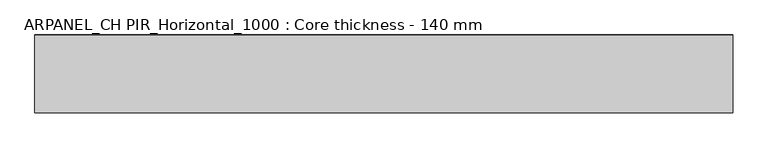
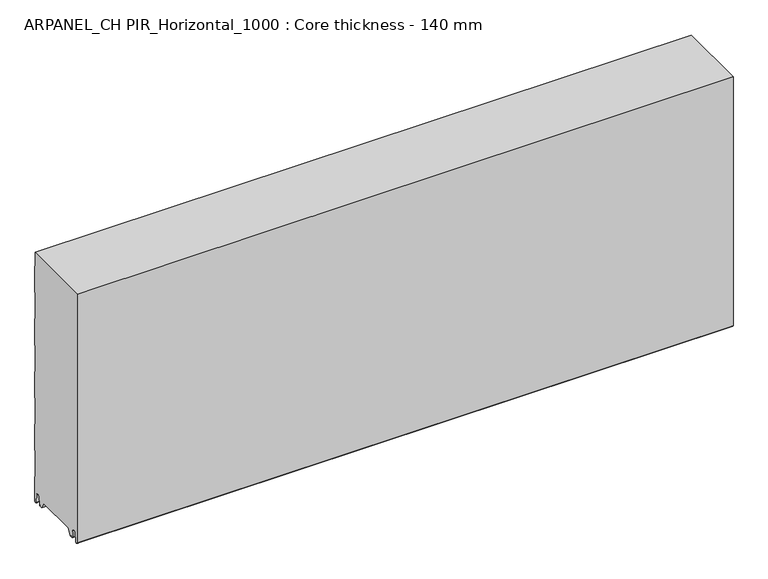
"""IFC4 building model written with IfcOpenShell, lengths in millimetres: plate geometry, ARPANEL_CH PIR_Horizontal_1000 : Core thickness - 140 mm."""

from ifc_helpers import new_model, si_unit, frame, origin, place, context, project, spatial, polyline, circle_curve, source, transform, mapped, element, save
from ifc_brep_helpers import plane_surface, cylinder_surface, revolved_surface, advanced_brep


def arpanel_ch_pir_horizontal_1000_core_thickness_140_mm_cb759b75(model_context):
    return source(origin(), model_context, "Body", "AdvancedBrep", [
        advanced_brep(
        [(620.0, -109.873448, 15.1417681), (620.0, -30.126552, 15.1417681), (620.0, -23.4071318, 3.165779), (620.0, -17.4169005, 3.165779), (620.0, -19.6169005, 5.365779), (620.0, -18.8169005, 5.365779), (620.0, -16.0235822, 5.2291629), (620.0, -14.6379549, 19.3608832), (620.0, -10.8223285, 22.7899182), (620.0, -7.0067021, 19.3608832), (620.0, -5.3893281, 2.8656275), (620.0, -0.8003051, 3.0900682), (620.0, -0.8, 49.9459237), (620.0, -1.0986697, 50.9973395), (620.0, -1.5003051, 52.4177205), (620.0, -1.5003051, 102.5775037), (620.0, -1.0971009, 103.9969151), (620.0, -0.8, 105.0493005), (620.0, -0.8, 155.2090837), (620.0, -1.0986697, 156.2604995), (620.0, -1.5003051, 157.6808805), (620.0, -1.5003051, 207.8406637), (620.0, -1.0971009, 209.2600751), (620.0, -0.8, 210.3124605), (620.0, -0.8, 260.4722437), (620.0, -1.0986697, 261.5236595), (620.0, -1.5003051, 262.9440405), (620.0, -1.5003051, 313.1038237), (620.0, -1.0971009, 314.5232351), (620.0, -0.8, 315.5756205), (620.0, -0.8, 365.7354037), (620.0, -1.0986697, 366.7868195), (620.0, -1.5003051, 368.2072005), (620.0, -1.5003051, 418.3669837), (620.0, -1.0971009, 419.7863951), (620.0, -0.8, 420.8387805), (620.0, -0.8, 470.9985637), (620.0, -1.0986697, 472.0499795), (620.0, -1.5003051, 473.4703605), (620.0, -1.5003051, 500.0), (620.0, -139.2, 500.0), (620.0, -139.2, 3.0900682), (620.0, -134.6106719, 2.8656275), (620.0, -132.9932979, 19.3608832), (620.0, -129.1776715, 22.7899182), (620.0, -125.3620451, 19.3608832), (620.0, -123.9764178, 5.2291629), (620.0, -121.1830995, 5.365779), (620.0, -120.3830995, 5.365779), (620.0, -122.5830995, 3.165779), (620.0, -116.5928682, 3.165779), (-620.0, -30.126552, 15.1417681), (-620.0, -109.873448, 15.1417681), (-620.0, -116.5928682, 3.165779), (-620.0, -122.5830995, 3.165779), (-620.0, -120.3830995, 5.365779), (-620.0, -121.1830995, 5.365779), (-620.0, -123.9764178, 5.2291629), (-620.0, -125.3620451, 19.3608832), (-620.0, -129.1776715, 22.7899182), (-620.0, -132.9932979, 19.3608832), (-620.0, -134.6106719, 2.8656275), (-620.0, -139.1996949, 3.0900682), (-620.0, -139.2, 500.0), (-620.0, -1.5003051, 500.0), (-620.0, -1.5003051, 473.4703605), (-620.0, -1.0971009, 472.0509491), (-620.0, -0.8, 470.9985637), (-620.0, -0.8, 420.8387805), (-620.0, -1.0986697, 419.7873646), (-620.0, -1.5003051, 418.3669837), (-620.0, -1.5003051, 368.2072005), (-620.0, -1.0971009, 366.7877891), (-620.0, -0.8, 365.7354037), (-620.0, -0.8, 315.5756205), (-620.0, -1.0986697, 314.5242046), (-620.0, -1.5003051, 313.1038237), (-620.0, -1.5003051, 262.9440405), (-620.0, -1.0971009, 261.5246291), (-620.0, -0.8, 260.4722437), (-620.0, -0.8, 210.3124605), (-620.0, -1.0986697, 209.2610446), (-620.0, -1.5003051, 207.8406637), (-620.0, -1.5003051, 157.6808805), (-620.0, -1.0971009, 156.2614691), (-620.0, -0.8, 155.2090837), (-620.0, -0.8, 105.0493005), (-620.0, -1.0986697, 103.9978846), (-620.0, -1.5003051, 102.5775037), (-620.0, -1.5003051, 52.4177205), (-620.0, -1.0971009, 50.9983091), (-620.0, -0.8, 49.9459237), (-620.0, -0.8, 3.0900682), (-620.0, -5.3893281, 2.8656275), (-620.0, -7.0067021, 19.3608832), (-620.0, -10.8223285, 22.7899182), (-620.0, -14.6379549, 19.3608832), (-620.0, -16.0235822, 5.2291629), (-620.0, -18.8169005, 5.365779), (-620.0, -19.6169005, 5.365779), (-620.0, -17.4169005, 3.165779), (-620.0, -23.4071318, 3.165779)],
        [
            (0, 1),
            (1, 2),
            (2, 3),
            (3, 4, circle_curve(frame((620.0, -17.4169005, 5.365779), z_axis=(-1.0, 0.0, 0.0), x_axis=(0.0, 0.0, -1.0)), 2.2)),
            (4, 5),
            (5, 6, circle_curve(frame((620.0, -17.4169005, 5.365779), z_axis=(1.0, 0.0, 0.0), x_axis=(0.0, 0.0, -1.0)), 1.4)),
            (6, 7),
            (7, 8, circle_curve(frame((620.0, -10.8560907, 18.9900682), z_axis=(-1.0, 0.0, 0.0), x_axis=(0.0, 0.0, -1.0)), 3.8)),
            (8, 9, circle_curve(frame((620.0, -10.7885662, 18.9900682), z_axis=(-1.0, 0.0, 0.0), x_axis=(0.0, 0.0, -1.0)), 3.8)),
            (9, 10),
            (10, 11, circle_curve(frame((620.0, -3.1003051, 3.0900682), z_axis=(1.0, 0.0, 0.0), x_axis=(0.0, 0.0, -1.0)), 2.3)),
            (11, 12),
            (12, 13, circle_curve(frame((620.0, -2.8, 49.9459237), z_axis=(1.0, 0.0, 0.0), x_axis=(0.0, 0.0, -1.0)), 2.0)),
            (13, 14, circle_curve(frame((620.0, 1.1996949, 52.4177205), z_axis=(-1.0, 0.0, 0.0), x_axis=(0.0, 0.0, -1.0)), 2.7)),
            (14, 15),
            (15, 16, circle_curve(frame((620.0, 1.1996949, 102.5775037), z_axis=(-1.0, 0.0, 0.0), x_axis=(0.0, 0.0, -1.0)), 2.7)),
            (16, 17, circle_curve(frame((620.0, -2.8, 105.0493005), z_axis=(1.0, 0.0, 0.0), x_axis=(0.0, 0.0, -1.0)), 2.0)),
            (17, 18),
            (18, 19, circle_curve(frame((620.0, -2.8, 155.2090837), z_axis=(1.0, 0.0, 0.0), x_axis=(0.0, 0.0, -1.0)), 2.0)),
            (19, 20, circle_curve(frame((620.0, 1.1996949, 157.6808805), z_axis=(-1.0, 0.0, 0.0), x_axis=(0.0, 0.0, -1.0)), 2.7)),
            (20, 21),
            (21, 22, circle_curve(frame((620.0, 1.1996949, 207.8406637), z_axis=(-1.0, 0.0, 0.0), x_axis=(0.0, 0.0, -1.0)), 2.7)),
            (22, 23, circle_curve(frame((620.0, -2.8, 210.3124605), z_axis=(1.0, 0.0, 0.0), x_axis=(0.0, 0.0, -1.0)), 2.0)),
            (23, 24),
            (24, 25, circle_curve(frame((620.0, -2.8, 260.4722437), z_axis=(1.0, 0.0, 0.0), x_axis=(0.0, 0.0, -1.0)), 2.0)),
            (25, 26, circle_curve(frame((620.0, 1.1996949, 262.9440405), z_axis=(-1.0, 0.0, 0.0), x_axis=(0.0, 0.0, -1.0)), 2.7)),
            (26, 27),
            (27, 28, circle_curve(frame((620.0, 1.1996949, 313.1038237), z_axis=(-1.0, 0.0, 0.0), x_axis=(0.0, 0.0, -1.0)), 2.7)),
            (28, 29, circle_curve(frame((620.0, -2.8, 315.5756205), z_axis=(1.0, 0.0, 0.0), x_axis=(0.0, 0.0, -1.0)), 2.0)),
            (29, 30),
            (30, 31, circle_curve(frame((620.0, -2.8, 365.7354037), z_axis=(1.0, 0.0, 0.0), x_axis=(0.0, 0.0, -1.0)), 2.0)),
            (31, 32, circle_curve(frame((620.0, 1.1996949, 368.2072005), z_axis=(-1.0, 0.0, 0.0), x_axis=(0.0, 0.0, -1.0)), 2.7)),
            (32, 33),
            (33, 34, circle_curve(frame((620.0, 1.1996949, 418.3669837), z_axis=(-1.0, 0.0, 0.0), x_axis=(0.0, 0.0, -1.0)), 2.7)),
            (34, 35, circle_curve(frame((620.0, -2.8, 420.8387805), z_axis=(1.0, 0.0, 0.0), x_axis=(0.0, 0.0, -1.0)), 2.0)),
            (35, 36),
            (36, 37, circle_curve(frame((620.0, -2.8, 470.9985637), z_axis=(1.0, 0.0, 0.0), x_axis=(0.0, 0.0, -1.0)), 2.0)),
            (37, 38, circle_curve(frame((620.0, 1.1996949, 473.4703605), z_axis=(-1.0, 0.0, 0.0), x_axis=(0.0, 0.0, -1.0)), 2.7)),
            (38, 39),
            (39, 40),
            (40, 41),
            (41, 42, circle_curve(frame((620.0, -136.8996949, 3.0900682), z_axis=(1.0, 0.0, 0.0), x_axis=(0.0, 0.0, -1.0)), 2.3)),
            (42, 43),
            (43, 44, circle_curve(frame((620.0, -129.2114338, 18.9900682), z_axis=(-1.0, 0.0, 0.0), x_axis=(0.0, 0.0, -1.0)), 3.8)),
            (44, 45, circle_curve(frame((620.0, -129.1439093, 18.9900682), z_axis=(-1.0, 0.0, 0.0), x_axis=(0.0, 0.0, -1.0)), 3.8)),
            (45, 46),
            (46, 47, circle_curve(frame((620.0, -122.5830995, 5.365779), z_axis=(1.0, 0.0, 0.0), x_axis=(0.0, 0.0, -1.0)), 1.4)),
            (47, 48),
            (48, 49, circle_curve(frame((620.0, -122.5830995, 5.365779), z_axis=(-1.0, 0.0, 0.0), x_axis=(0.0, 0.0, -1.0)), 2.2)),
            (49, 50),
            (50, 0),
            (51, 52),
            (52, 53),
            (53, 54),
            (54, 55, circle_curve(frame((-620.0, -122.5830995, 5.365779), z_axis=(1.0, 0.0, 0.0), x_axis=(0.0, 0.0, -1.0)), 2.2)),
            (55, 56),
            (56, 57, circle_curve(frame((-620.0, -122.5830995, 5.365779), z_axis=(-1.0, 0.0, 0.0), x_axis=(0.0, 0.0, -1.0)), 1.4)),
            (57, 58),
            (58, 59, circle_curve(frame((-620.0, -129.1439093, 18.9900682), z_axis=(1.0, 0.0, 0.0), x_axis=(0.0, 0.0, -1.0)), 3.8)),
            (59, 60, circle_curve(frame((-620.0, -129.2114338, 18.9900682), z_axis=(1.0, 0.0, 0.0), x_axis=(0.0, 0.0, -1.0)), 3.8)),
            (60, 61),
            (61, 62, circle_curve(frame((-620.0, -136.8996949, 3.0900682), z_axis=(-1.0, 0.0, 0.0), x_axis=(0.0, 0.0, -1.0)), 2.3)),
            (62, 63),
            (63, 64),
            (64, 65),
            (65, 66, circle_curve(frame((-620.0, 1.1996949, 473.4703605), z_axis=(1.0, 0.0, 0.0), x_axis=(0.0, 0.0, -1.0)), 2.7)),
            (66, 67, circle_curve(frame((-620.0, -2.8, 470.9985637), z_axis=(-1.0, 0.0, 0.0), x_axis=(0.0, 0.0, -1.0)), 2.0)),
            (67, 68),
            (68, 69, circle_curve(frame((-620.0, -2.8, 420.8387805), z_axis=(-1.0, 0.0, 0.0), x_axis=(0.0, 0.0, -1.0)), 2.0)),
            (69, 70, circle_curve(frame((-620.0, 1.1996949, 418.3669837), z_axis=(1.0, 0.0, 0.0), x_axis=(0.0, 0.0, -1.0)), 2.7)),
            (70, 71),
            (71, 72, circle_curve(frame((-620.0, 1.1996949, 368.2072005), z_axis=(1.0, 0.0, 0.0), x_axis=(0.0, 0.0, -1.0)), 2.7)),
            (72, 73, circle_curve(frame((-620.0, -2.8, 365.7354037), z_axis=(-1.0, 0.0, 0.0), x_axis=(0.0, 0.0, -1.0)), 2.0)),
            (73, 74),
            (74, 75, circle_curve(frame((-620.0, -2.8, 315.5756205), z_axis=(-1.0, 0.0, 0.0), x_axis=(0.0, 0.0, -1.0)), 2.0)),
            (75, 76, circle_curve(frame((-620.0, 1.1996949, 313.1038237), z_axis=(1.0, 0.0, 0.0), x_axis=(0.0, 0.0, -1.0)), 2.7)),
            (76, 77),
            (77, 78, circle_curve(frame((-620.0, 1.1996949, 262.9440405), z_axis=(1.0, 0.0, 0.0), x_axis=(0.0, 0.0, -1.0)), 2.7)),
            (78, 79, circle_curve(frame((-620.0, -2.8, 260.4722437), z_axis=(-1.0, 0.0, 0.0), x_axis=(0.0, 0.0, -1.0)), 2.0)),
            (79, 80),
            (80, 81, circle_curve(frame((-620.0, -2.8, 210.3124605), z_axis=(-1.0, 0.0, 0.0), x_axis=(0.0, 0.0, -1.0)), 2.0)),
            (81, 82, circle_curve(frame((-620.0, 1.1996949, 207.8406637), z_axis=(1.0, 0.0, 0.0), x_axis=(0.0, 0.0, -1.0)), 2.7)),
            (82, 83),
            (83, 84, circle_curve(frame((-620.0, 1.1996949, 157.6808805), z_axis=(1.0, 0.0, 0.0), x_axis=(0.0, 0.0, -1.0)), 2.7)),
            (84, 85, circle_curve(frame((-620.0, -2.8, 155.2090837), z_axis=(-1.0, 0.0, 0.0), x_axis=(0.0, 0.0, -1.0)), 2.0)),
            (85, 86),
            (86, 87, circle_curve(frame((-620.0, -2.8, 105.0493005), z_axis=(-1.0, 0.0, 0.0), x_axis=(0.0, 0.0, -1.0)), 2.0)),
            (87, 88, circle_curve(frame((-620.0, 1.1996949, 102.5775037), z_axis=(1.0, 0.0, 0.0), x_axis=(0.0, 0.0, -1.0)), 2.7)),
            (88, 89),
            (89, 90, circle_curve(frame((-620.0, 1.1996949, 52.4177205), z_axis=(1.0, 0.0, 0.0), x_axis=(0.0, 0.0, -1.0)), 2.7)),
            (90, 91, circle_curve(frame((-620.0, -2.8, 49.9459237), z_axis=(-1.0, 0.0, 0.0), x_axis=(0.0, 0.0, -1.0)), 2.0)),
            (91, 92),
            (92, 93, circle_curve(frame((-620.0, -3.1003051, 3.0900682), z_axis=(-1.0, 0.0, 0.0), x_axis=(0.0, 0.0, -1.0)), 2.3)),
            (93, 94),
            (94, 95, circle_curve(frame((-620.0, -10.7885662, 18.9900682), z_axis=(1.0, 0.0, 0.0), x_axis=(0.0, 0.0, -1.0)), 3.8)),
            (95, 96, circle_curve(frame((-620.0, -10.8560907, 18.9900682), z_axis=(1.0, 0.0, 0.0), x_axis=(0.0, 0.0, -1.0)), 3.8)),
            (96, 97),
            (97, 98, circle_curve(frame((-620.0, -17.4169005, 5.365779), z_axis=(-1.0, 0.0, 0.0), x_axis=(0.0, 0.0, -1.0)), 1.4)),
            (98, 99),
            (99, 100, circle_curve(frame((-620.0, -17.4169005, 5.365779), z_axis=(1.0, 0.0, 0.0), x_axis=(0.0, 0.0, -1.0)), 2.2)),
            (100, 101),
            (101, 51),
            (1, 51),
            (101, 2),
            (0, 52),
            (50, 53),
            (99, 4),
            (3, 100),
            (98, 5),
            (97, 6),
            (96, 7),
            (95, 8),
            (94, 9),
            (93, 10),
            (92, 11),
            (91, 12),
            (90, 13),
            (89, 14),
            (88, 15),
            (87, 16),
            (86, 17),
            (85, 18),
            (84, 19),
            (83, 20),
            (82, 21),
            (81, 22),
            (80, 23),
            (79, 24),
            (78, 25),
            (77, 26),
            (76, 27),
            (75, 28),
            (74, 29),
            (73, 30),
            (72, 31),
            (71, 32),
            (70, 33),
            (69, 34),
            (68, 35),
            (67, 36),
            (66, 37),
            (65, 38),
            (64, 39),
            (62, 41),
            (40, 63),
            (61, 42),
            (60, 43),
            (59, 44),
            (58, 45),
            (57, 46),
            (56, 47),
            (55, 48),
            (54, 49),
        ],
        [
            plane_surface(frame((620.0, 0.0, 0.0), z_axis=(1.0, 0.0, 0.0), x_axis=(0.0, -1.0, 0.0))),
            plane_surface(frame((-620.0, 0.0, 0.0), z_axis=(-1.0, 0.0, 0.0), x_axis=(0.0, -1.0, 0.0))),
            plane_surface(frame((620.0, -30.126552, 15.1417681), z_axis=(0.0, -0.8721062992196836, -0.4893164649399687), x_axis=(-1.0, 0.0, 0.0))),
            plane_surface(frame((620.0, -109.873448, 15.1417681), z_axis=(0.0, 0.0, -1.0), x_axis=(-1.0, 0.0, 0.0))),
            plane_surface(frame((620.0, -116.8190247, 2.7627014), z_axis=(0.0, 0.8721062992196852, -0.48931646493996606), x_axis=(-1.0, 0.0, 0.0))),
            revolved_surface(polyline([(620.0, -17.4169005, 3.1657789999999997), (-620.0, -17.4169005, 3.1657789999999997)]), (750.0, -17.4169005, 5.365779), (1.0, 0.0, 0.0)),
            plane_surface(frame((750.0, -18.8169005, 5.365779), z_axis=(0.0, 0.0, -1.0), x_axis=(-1.0, 0.0, 0.0))),
            cylinder_surface(frame((750.0, -17.4169005, 5.365779), z_axis=(-1.0, 0.0, 0.0), x_axis=(0.0, 0.0, -1.0)), 1.4),
            plane_surface(frame((750.0, -14.6379549, 19.3608832), z_axis=(0.0, 0.9952273999818297, -0.09758289975916531), x_axis=(-1.0, 0.0, 0.0))),
            revolved_surface(polyline([(620.0, -10.8560907, 15.190068199999999), (-620.0, -10.8560907, 15.190068199999999)]), (750.0, -10.8560907, 18.9900682), (1.0, 0.0, 0.0)),
            revolved_surface(polyline([(620.0, -10.7885662, 15.190068199999999), (-620.0, -10.7885662, 15.190068199999999)]), (750.0, -10.7885662, 18.9900682), (1.0, 0.0, 0.0)),
            plane_surface(frame((750.0, -5.3893281, 2.8656275), z_axis=(0.0, -0.9952273999818314, -0.09758289975914787), x_axis=(-1.0, 0.0, 0.0))),
            cylinder_surface(frame((750.0, -3.1003051, 3.0900682), z_axis=(-1.0, 0.0, 0.0), x_axis=(0.0, 0.0, -1.0)), 2.3),
            plane_surface(frame((750.0, -0.8, 49.9459237), z_axis=(0.0, 1.0, 0.0), x_axis=(-1.0, 0.0, 0.0))),
            cylinder_surface(frame((750.0, -2.8, 49.9459237), z_axis=(-1.0, 0.0, 0.0), x_axis=(0.0, 0.0, -1.0)), 2.0),
            revolved_surface(polyline([(620.0, 1.1996949, 49.7177205), (-620.0, 1.1996949, 49.7177205)]), (750.0, 1.1996949, 52.4177205), (1.0, 0.0, 0.0)),
            plane_surface(frame((750.0, -1.5003051, 102.5775037), z_axis=(0.0, 1.0, 0.0), x_axis=(-1.0, 0.0, 0.0))),
            revolved_surface(polyline([(620.0, 1.1996949, 99.87750369999999), (-620.0, 1.1996949, 99.87750369999999)]), (750.0, 1.1996949, 102.5775037), (1.0, 0.0, 0.0)),
            cylinder_surface(frame((750.0, -2.8, 105.0493005), z_axis=(-1.0, 0.0, 0.0), x_axis=(0.0, 0.0, -1.0)), 2.0),
            plane_surface(frame((750.0, -0.8, 155.2090837), z_axis=(0.0, 1.0, 0.0), x_axis=(-1.0, 0.0, 0.0))),
            cylinder_surface(frame((750.0, -2.8, 155.2090837), z_axis=(-1.0, 0.0, 0.0), x_axis=(0.0, 0.0, -1.0)), 2.0),
            revolved_surface(polyline([(620.0, 1.1996949, 154.9808805), (-620.0, 1.1996949, 154.9808805)]), (750.0, 1.1996949, 157.6808805), (1.0, 0.0, 0.0)),
            plane_surface(frame((750.0, -1.5003051, 207.8406637), z_axis=(0.0, 1.0, 0.0), x_axis=(-1.0, 0.0, 0.0))),
            revolved_surface(polyline([(620.0, 1.1996949, 205.1406637), (-620.0, 1.1996949, 205.1406637)]), (750.0, 1.1996949, 207.8406637), (1.0, 0.0, 0.0)),
            cylinder_surface(frame((750.0, -2.8, 210.3124605), z_axis=(-1.0, 0.0, 0.0), x_axis=(0.0, 0.0, -1.0)), 2.0),
            plane_surface(frame((750.0, -0.8, 260.4722437), z_axis=(0.0, 1.0, 0.0), x_axis=(-1.0, 0.0, 0.0))),
            cylinder_surface(frame((750.0, -2.8, 260.4722437), z_axis=(-1.0, 0.0, 0.0), x_axis=(0.0, 0.0, -1.0)), 2.0),
            revolved_surface(polyline([(620.0, 1.1996949, 260.24404050000004), (-620.0, 1.1996949, 260.24404050000004)]), (750.0, 1.1996949, 262.9440405), (1.0, 0.0, 0.0)),
            plane_surface(frame((750.0, -1.5003051, 313.1038237), z_axis=(0.0, 1.0, 0.0), x_axis=(-1.0, 0.0, 0.0))),
            revolved_surface(polyline([(620.0, 1.1996949, 310.40382370000003), (-620.0, 1.1996949, 310.40382370000003)]), (750.0, 1.1996949, 313.1038237), (1.0, 0.0, 0.0)),
            cylinder_surface(frame((750.0, -2.8, 315.5756205), z_axis=(-1.0, 0.0, 0.0), x_axis=(0.0, 0.0, -1.0)), 2.0),
            plane_surface(frame((750.0, -0.8, 365.7354037), z_axis=(0.0, 1.0, 0.0), x_axis=(-1.0, 0.0, 0.0))),
            cylinder_surface(frame((750.0, -2.8, 365.7354037), z_axis=(-1.0, 0.0, 0.0), x_axis=(0.0, 0.0, -1.0)), 2.0),
            revolved_surface(polyline([(620.0, 1.1996949, 365.5072005), (-620.0, 1.1996949, 365.5072005)]), (750.0, 1.1996949, 368.2072005), (1.0, 0.0, 0.0)),
            plane_surface(frame((750.0, -1.5003051, 418.3669837), z_axis=(0.0, 1.0, 0.0), x_axis=(-1.0, 0.0, 0.0))),
            revolved_surface(polyline([(620.0, 1.1996949, 415.6669837), (-620.0, 1.1996949, 415.6669837)]), (750.0, 1.1996949, 418.3669837), (1.0, 0.0, 0.0)),
            cylinder_surface(frame((750.0, -2.8, 420.8387805), z_axis=(-1.0, 0.0, 0.0), x_axis=(0.0, 0.0, -1.0)), 2.0),
            plane_surface(frame((750.0, -0.8, 470.9985637), z_axis=(0.0, 1.0, 0.0), x_axis=(-1.0, 0.0, 0.0))),
            cylinder_surface(frame((750.0, -2.8, 470.9985637), z_axis=(-1.0, 0.0, 0.0), x_axis=(0.0, 0.0, -1.0)), 2.0),
            revolved_surface(polyline([(620.0, 1.1996949, 470.77036050000004), (-620.0, 1.1996949, 470.77036050000004)]), (750.0, 1.1996949, 473.4703605), (1.0, 0.0, 0.0)),
            plane_surface(frame((750.0, -1.5003051, 523.6301437), z_axis=(0.0, 1.0, 0.0), x_axis=(-1.0, 0.0, 0.0))),
            plane_surface(frame((750.0, -139.2, 3.0900682), z_axis=(0.0, -1.0, 0.0), x_axis=(-1.0, 0.0, 0.0))),
            cylinder_surface(frame((750.0, -136.8996949, 3.0900682), z_axis=(-1.0, 0.0, 0.0), x_axis=(0.0, 0.0, -1.0)), 2.3),
            plane_surface(frame((750.0, -132.9932979, 19.3608832), z_axis=(0.0, 0.9952273999818314, -0.09758289975914787), x_axis=(-1.0, 0.0, 0.0))),
            revolved_surface(polyline([(620.0, -129.2114338, 15.190068199999999), (-620.0, -129.2114338, 15.190068199999999)]), (750.0, -129.2114338, 18.9900682), (1.0, 0.0, 0.0)),
            revolved_surface(polyline([(620.0, -129.1439093, 15.190068199999999), (-620.0, -129.1439093, 15.190068199999999)]), (750.0, -129.1439093, 18.9900682), (1.0, 0.0, 0.0)),
            plane_surface(frame((750.0, -123.9764178, 5.2291629), z_axis=(0.0, -0.9952273999818297, -0.09758289975916531), x_axis=(-1.0, 0.0, 0.0))),
            cylinder_surface(frame((750.0, -122.5830995, 5.365779), z_axis=(-1.0, 0.0, 0.0), x_axis=(0.0, 0.0, -1.0)), 1.4),
            plane_surface(frame((750.0, -120.3830995, 5.365779), z_axis=(0.0, 0.0, -1.0), x_axis=(-1.0, 0.0, 0.0))),
            revolved_surface(polyline([(620.0, -122.5830995, 3.1657789999999997), (-620.0, -122.5830995, 3.1657789999999997)]), (750.0, -122.5830995, 5.365779), (1.0, 0.0, 0.0)),
            plane_surface(frame((-620.0, -122.5830995, 3.165779), z_axis=(0.0, 0.0, -1.0), x_axis=(1.0, 0.0, 0.0))),
            plane_surface(frame((-620.0, 134.0533409, 500.0), z_axis=(0.0, 0.0, 1.0), x_axis=(1.0, 0.0, 0.0))),
        ],
        [
            (0, [[1, 2, 3, 4, 5, 6, 7, 8, 9, 10, 11, 12, 13, 14, 15, 16, 17, 18, 19, 20, 21, 22, 23, 24, 25, 26, 27, 28, 29, 30, 31, 32, 33, 34, 35, 36, 37, 38, 39, 40, 41, 42, 43, 44, 45, 46, 47, 48, 49, 50, 51]]),
            (1, [[52, 53, 54, 55, 56, 57, 58, 59, 60, 61, 62, 63, 64, 65, 66, 67, 68, 69, 70, 71, 72, 73, 74, 75, 76, 77, 78, 79, 80, 81, 82, 83, 84, 85, 86, 87, 88, 89, 90, 91, 92, 93, 94, 95, 96, 97, 98, 99, 100, 101, 102]]),
            (2, [[103, -102, 104, -2]]),
            (3, [[-1, 105, -52, -103]]),
            (4, [[-105, -51, 106, -53]]),
            (5, [[107, -4, 108, -100]]),
            (6, [[-107, -99, 109, -5]]),
            (7, [[-109, -98, 110, -6]]),
            (8, [[-110, -97, 111, -7]]),
            (9, [[-111, -96, 112, -8]]),
            (10, [[-112, -95, 113, -9]]),
            (11, [[-113, -94, 114, -10]]),
            (12, [[-114, -93, 115, -11]]),
            (13, [[-115, -92, 116, -12]]),
            (14, [[-116, -91, 117, -13]]),
            (15, [[-117, -90, 118, -14]]),
            (16, [[-118, -89, 119, -15]]),
            (17, [[-119, -88, 120, -16]]),
            (18, [[-120, -87, 121, -17]]),
            (19, [[-121, -86, 122, -18]]),
            (20, [[-122, -85, 123, -19]]),
            (21, [[-123, -84, 124, -20]]),
            (22, [[-124, -83, 125, -21]]),
            (23, [[-125, -82, 126, -22]]),
            (24, [[-126, -81, 127, -23]]),
            (25, [[-127, -80, 128, -24]]),
            (26, [[-128, -79, 129, -25]]),
            (27, [[-129, -78, 130, -26]]),
            (28, [[-130, -77, 131, -27]]),
            (29, [[-131, -76, 132, -28]]),
            (30, [[-132, -75, 133, -29]]),
            (31, [[-133, -74, 134, -30]]),
            (32, [[-134, -73, 135, -31]]),
            (33, [[-135, -72, 136, -32]]),
            (34, [[-136, -71, 137, -33]]),
            (35, [[-137, -70, 138, -34]]),
            (36, [[-138, -69, 139, -35]]),
            (37, [[-139, -68, 140, -36]]),
            (38, [[-140, -67, 141, -37]]),
            (39, [[-141, -66, 142, -38]]),
            (40, [[-142, -65, 143, -39]]),
            (41, [[144, -41, 145, -63]]),
            (42, [[-144, -62, 146, -42]]),
            (43, [[-146, -61, 147, -43]]),
            (44, [[-147, -60, 148, -44]]),
            (45, [[-148, -59, 149, -45]]),
            (46, [[-149, -58, 150, -46]]),
            (47, [[-150, -57, 151, -47]]),
            (48, [[-151, -56, 152, -48]]),
            (49, [[-152, -55, 153, -49]]),
            (50, [[-3, -104, -101, -108]]),
            (50, [[-50, -153, -54, -106]]),
            (51, [[-143, -64, -145, -40]]),
        ],
    ),
    ])


if __name__ == "__main__":
    model = new_model("IFC4")
    model_context = context("Model", 3, world=origin())
    ifc_project = project(units=[si_unit("LENGTHUNIT", "METRE", prefix="MILLI")], contexts=[model_context])
    site = spatial("IfcSite", under=ifc_project)
    building = spatial("IfcBuilding", under=site)
    placement = place(None, origin())
    arpanel_ch_pir_horizontal_1000_core_thickness_140_mm_shape = arpanel_ch_pir_horizontal_1000_core_thickness_140_mm_cb759b75(model_context)
    element("IfcPlate", 1, ObjectType="ARPANEL_CH PIR_Horizontal_1000 : Core thickness - 140 mm", at=placement, inside=building, context=model_context, shape_type="MappedRepresentation", body=[
        mapped(arpanel_ch_pir_horizontal_1000_core_thickness_140_mm_shape, transform((0.0, 0.0, 0.0), x_axis=(1.0, 0.0, 0.0), y_axis=(0.0, 1.0, 0.0), z_axis=(0.0, 0.0, 1.0))),
    ])
    save(model, "model.ifc")
